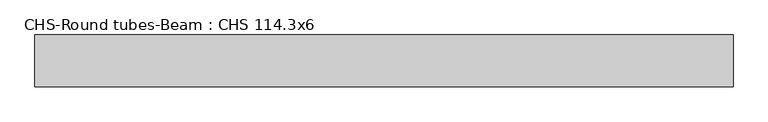
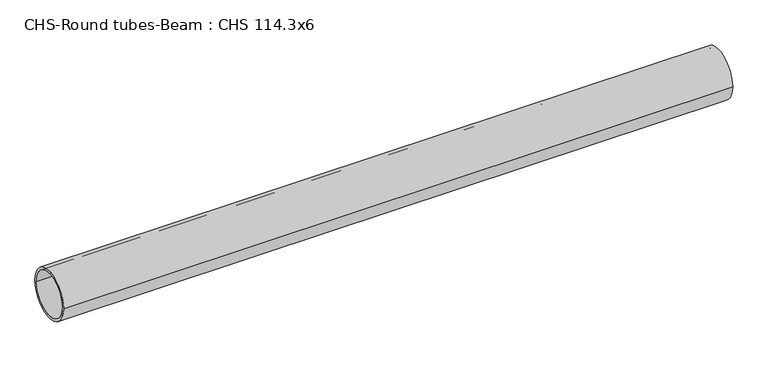
"""IFC4 building model written with IfcOpenShell, lengths in millimetres: beam geometry, CHS-Round tubes-Beam : CHS 114.3x6."""

from ifc_helpers import new_model, si_unit, point, frame, origin, origin_2d, place, context, project, spatial, circle_curve, trimmed, segment, composite_curve, outline, extrude, source, transform, mapped, element, save


def chs_round_tubes_beam_chs_114_3x6_a2271c71(model_context):
    return source(origin(), model_context, "Body", "SweptSolid", [
        extrude(outline(composite_curve([segment(trimmed(circle_curve(origin_2d(), 57.15), [point((57.15, 0.0))], [point((-57.15, 0.0))], False, "CARTESIAN"), True, "CONTINUOUS"), segment(trimmed(circle_curve(origin_2d(), 57.15), [point((-57.15, 0.0))], [point((57.15, 0.0))], False, "CARTESIAN"), True, "CONTINUOUS")], self_intersect=False), holes=[composite_curve([segment(trimmed(circle_curve(origin_2d(), 51.15), [point((51.15, 0.0))], [point((-51.15, 0.0))], True, "CARTESIAN"), True, "CONTINUOUS"), segment(trimmed(circle_curve(origin_2d(), 51.15), [point((-51.15, 0.0))], [point((51.15, 0.0))], True, "CARTESIAN"), True, "CONTINUOUS")], self_intersect=False)]), frame((-744.0397272, 0.0, 0.0), z_axis=(1.0, 0.0, 0.0), x_axis=(0.0, 1.0, 0.0)), (0.0, 0.0, 1.0), 1541.0775885),
    ])


if __name__ == "__main__":
    model = new_model("IFC4")
    model_context = context("Model", 3, world=origin())
    ifc_project = project(units=[si_unit("LENGTHUNIT", "METRE", prefix="MILLI")], contexts=[model_context])
    site = spatial("IfcSite", under=ifc_project)
    building = spatial("IfcBuilding", under=site)
    placement = place(None, origin())
    chs_round_tubes_beam_chs_114_3x6_shape = chs_round_tubes_beam_chs_114_3x6_a2271c71(model_context)
    element("IfcBeam", 1, ObjectType="CHS-Round tubes-Beam : CHS 114.3x6", at=placement, inside=building, context=model_context, shape_type="MappedRepresentation", body=[
        mapped(chs_round_tubes_beam_chs_114_3x6_shape, transform((0.0, 0.0, 0.0), x_axis=(1.0, 0.0, 0.0), y_axis=(0.0, 1.0, 0.0), z_axis=(0.0, 0.0, 1.0))),
    ])
    save(model, "model.ifc")
